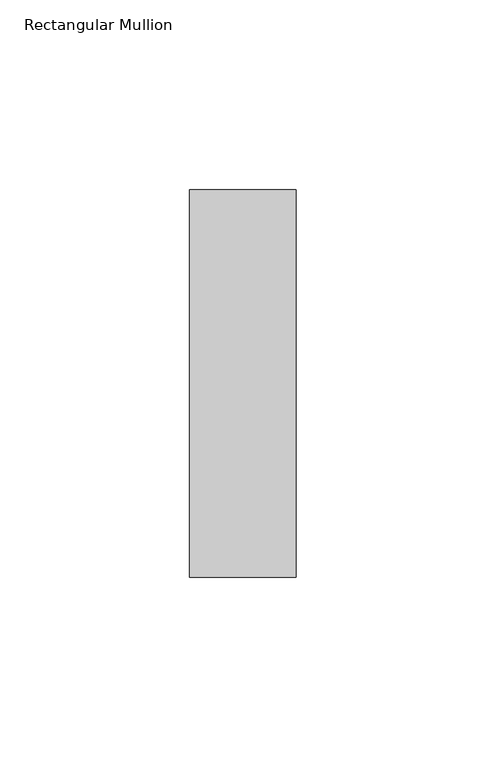
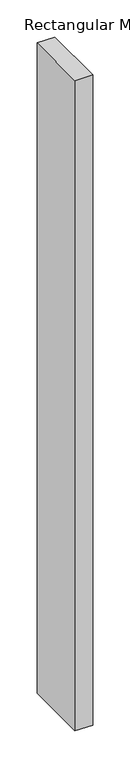
"""IFC4 building model written with IfcOpenShell, lengths in millimetres: member geometry, Rectangular Mullion."""

from ifc_helpers import new_model, si_unit, frame, origin, place, context, project, spatial, polyline, outline, extrude, source, transform, mapped, element, save


def rectangular_mullion_d9bed037(model_context):
    return source(origin(), model_context, "Body", "SweptSolid", [
        extrude(outline(polyline([(0.0, -51.0), (-28.0, -51.0), (-28.0, 51.0), (0.0, 51.0), (0.0, -51.0)])), frame((0.0, 0.0, -1072.0), z_axis=(0.0, 0.0, 1.0), x_axis=(1.0, 0.0, 0.0)), (0.0, 0.0, 1.0), 1072.0),
    ])


if __name__ == "__main__":
    model = new_model("IFC4")
    model_context = context("Model", 3, world=origin())
    ifc_project = project(units=[si_unit("LENGTHUNIT", "METRE", prefix="MILLI")], contexts=[model_context])
    site = spatial("IfcSite", under=ifc_project)
    building = spatial("IfcBuilding", under=site)
    placement = place(None, origin())
    rectangular_mullion_shape = rectangular_mullion_d9bed037(model_context)
    element("IfcMember", 1, ObjectType="Rectangular Mullion", at=placement, inside=building, context=model_context, shape_type="MappedRepresentation", body=[
        mapped(rectangular_mullion_shape, transform((0.0, 0.0, 0.0), x_axis=(1.0, 0.0, 0.0), y_axis=(0.0, 1.0, 0.0), z_axis=(0.0, 0.0, 1.0))),
    ])
    save(model, "model.ifc")
